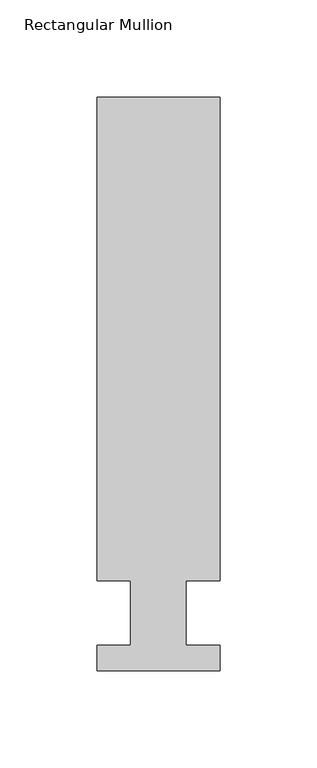
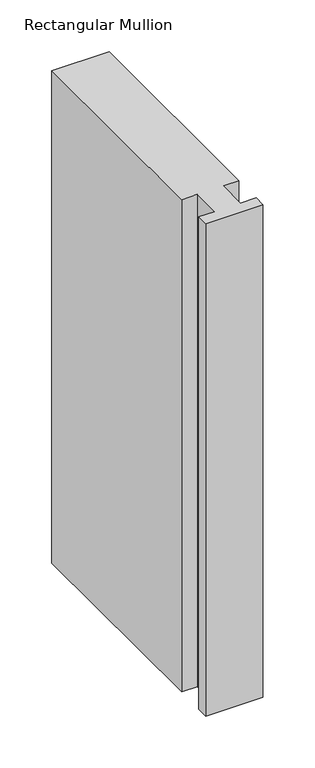
"""IFC4 building model written with IfcOpenShell, lengths in millimetres: member geometry, Rectangular Mullion."""

from ifc_helpers import new_model, si_unit, frame, origin, place, context, project, spatial, polyline, outline, extrude, source, transform, mapped, element, save


def rectangular_mullion_fe0700cf(model_context):
    return source(origin(), model_context, "Body", "SweptSolid", [
        extrude(outline(polyline([(-63.5000004, 13.3945322), (-46.0248007, 13.3945322), (-46.0248007, 46.7447322), (-63.4999996, 46.7447323), (-63.4999996, 295.9695324), (0.0, 295.9695321), (0.0, 46.744732), (-17.4625006, 46.7447321), (-17.4625006, 13.3945321), (-3e-07, 13.3945321), (-3e-07, 0.211932), (-63.5000004, 0.2119323), (-63.5000004, 13.3945322)])), frame((0.0, 0.0, -577.85), z_axis=(0.0, 0.0, 1.0), x_axis=(1.0, 0.0, 0.0)), (0.0, 0.0, 1.0), 577.85),
    ])


if __name__ == "__main__":
    model = new_model("IFC4")
    model_context = context("Model", 3, world=origin())
    ifc_project = project(units=[si_unit("LENGTHUNIT", "METRE", prefix="MILLI")], contexts=[model_context])
    site = spatial("IfcSite", under=ifc_project)
    building = spatial("IfcBuilding", under=site)
    placement = place(None, origin())
    rectangular_mullion_shape = rectangular_mullion_fe0700cf(model_context)
    element("IfcMember", 1, ObjectType="Rectangular Mullion", at=placement, inside=building, context=model_context, shape_type="MappedRepresentation", body=[
        mapped(rectangular_mullion_shape, transform((0.0, 0.0, 0.0), x_axis=(1.0, 0.0, 0.0), y_axis=(0.0, 1.0, 0.0), z_axis=(0.0, 0.0, 1.0))),
    ])
    save(model, "model.ifc")
